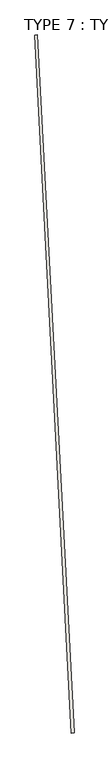
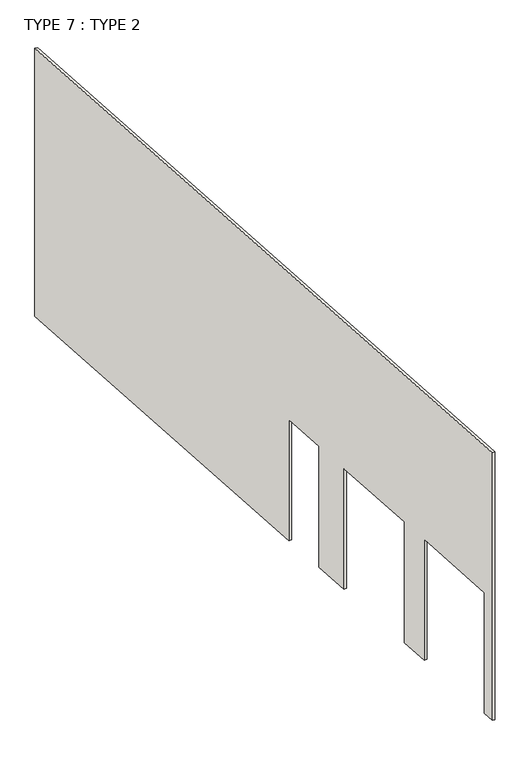
"""IFC4 building model written with IfcOpenShell, lengths in millimetres: wall geometry, TYPE 7 : TYPE 2."""

from ifc_helpers import new_model, si_unit, frame, origin, place, context, project, spatial, polyline, outline, extrude, source, transform, mapped, element, save


def type_7_type_2_f2ced99a(model_context):
    return source(origin(), model_context, "Body", "SweptSolid", [
        extrude(outline(polyline([(0.0, -13904.9683859), (0.0, 0.0), (5403.85, 0.0), (5403.85, -7718.3769299), (2965.45, -7718.3769299), (2965.45, -8634.4683859), (5403.85, -8634.4683859), (5403.85, -9394.77693), (2965.45, -9394.77693), (2965.45, -11225.268386), (5403.85, -11225.268386), (5403.85, -11833.1769299), (2965.45, -11833.1769299), (2965.45, -13663.6683859), (5403.85, -13663.6683859), (5403.85, -13904.9683859), (0.0, -13904.9683859)])), frame((18295.5203958, 25927.840365, 5403.85), z_axis=(0.9986295347545745, 0.052335956242932455, 0.0), x_axis=(0.0, 0.0, -1.0)), (0.0, 0.0, 1.0), 50.8),
    ])


if __name__ == "__main__":
    model = new_model("IFC4")
    model_context = context("Model", 3, world=origin())
    ifc_project = project(units=[si_unit("LENGTHUNIT", "METRE", prefix="MILLI")], contexts=[model_context])
    site = spatial("IfcSite", under=ifc_project)
    building = spatial("IfcBuilding", under=site)
    placement = place(None, origin())
    type_7_type_2_shape = type_7_type_2_f2ced99a(model_context)
    element("IfcWall", 1, ObjectType="TYPE 7 : TYPE 2", at=placement, inside=building, context=model_context, shape_type="MappedRepresentation", body=[
        mapped(type_7_type_2_shape, transform((0.0, 0.0, 0.0), x_axis=(1.0, 0.0, 0.0), y_axis=(0.0, 1.0, 0.0), z_axis=(0.0, 0.0, 1.0))),
    ])
    save(model, "model.ifc")
